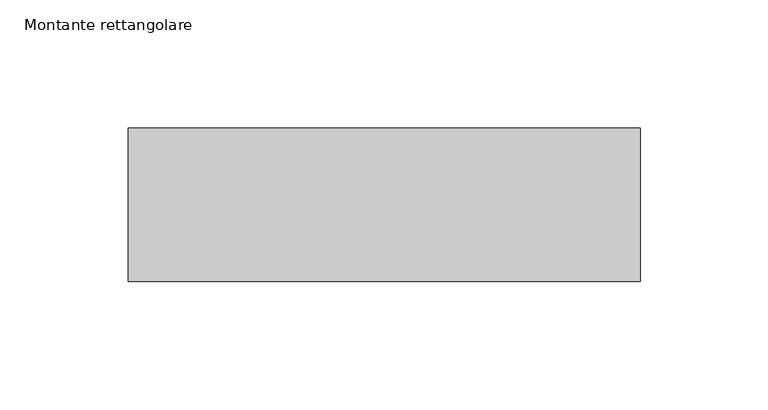
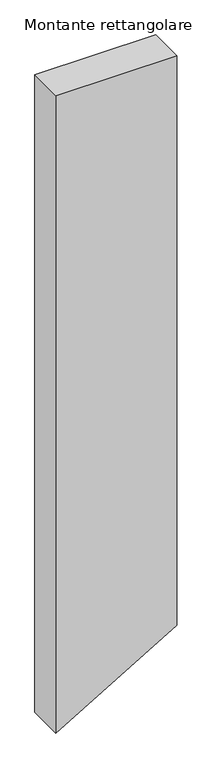
"""IFC4 building model written with IfcOpenShell, lengths in millimetres: member geometry, Montante rettangolare."""

from ifc_helpers import new_model, si_unit, frame, origin, place, context, project, spatial, polyline, outline, extrude, source, transform, mapped, element, save


def montante_rettangolare_13748f5e(model_context):
    return source(origin(), model_context, "Body", "SweptSolid", [
        extrude(outline(polyline([(0.0, 100.0), (0.0, -100.0), (-1114.8733545, -100.0), (-995.8858582, 100.0), (0.0, 100.0)])), frame((0.0, -30.0, 0.0), z_axis=(0.0, 1.0, 0.0), x_axis=(0.0, 0.0, 1.0)), (0.0, 0.0, 1.0), 60.0),
    ])


if __name__ == "__main__":
    model = new_model("IFC4")
    model_context = context("Model", 3, world=origin())
    ifc_project = project(units=[si_unit("LENGTHUNIT", "METRE", prefix="MILLI")], contexts=[model_context])
    site = spatial("IfcSite", under=ifc_project)
    building = spatial("IfcBuilding", under=site)
    placement = place(None, origin())
    montante_rettangolare_shape = montante_rettangolare_13748f5e(model_context)
    element("IfcMember", 1, ObjectType="Montante rettangolare", at=placement, inside=building, context=model_context, shape_type="MappedRepresentation", body=[
        mapped(montante_rettangolare_shape, transform((0.0, 0.0, 0.0), x_axis=(1.0, 0.0, 0.0), y_axis=(0.0, 1.0, 0.0), z_axis=(0.0, 0.0, 1.0))),
    ])
    save(model, "model.ifc")
